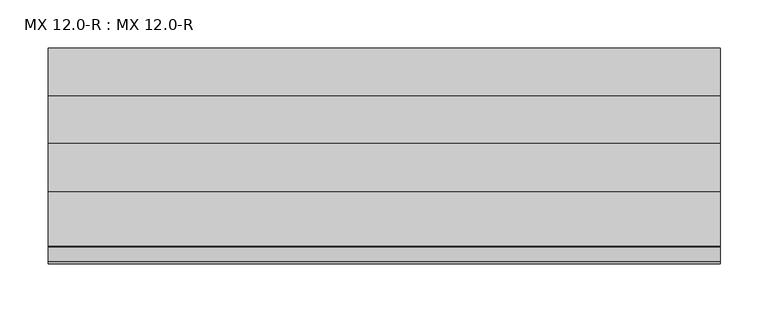
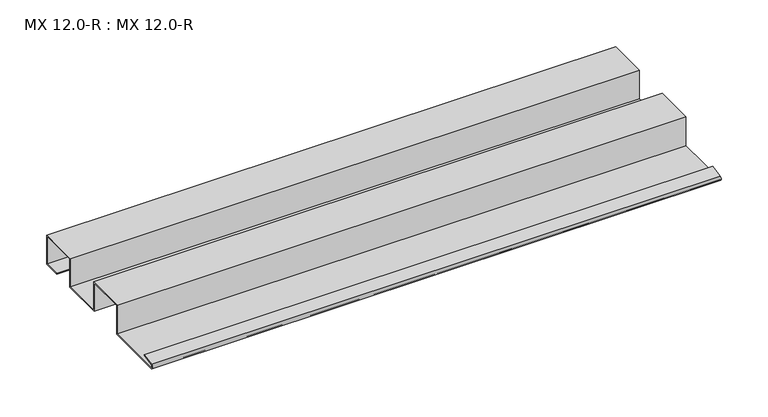
"""IFC4 building model written with IfcOpenShell, lengths in millimetres: proxy geometry, MX 12.0-R : MX 12.0-R."""

from ifc_helpers import new_model, si_unit, point, frame, frame_2d, origin, place, context, project, spatial, polyline, circle_curve, trimmed, segment, composite_curve, outline, extrude, source, transform, mapped, element, save


def mx_12_0_r_mx_12_0_r_b8e0d57a(model_context):
    return source(origin(), model_context, "Body", "SweptSolid", [
        extrude(outline(composite_curve([segment(polyline([(-223.163909, 5.2131944), (-207.4140687, 8.2359048), (-207.1307182, 7.2866995), (-222.807341, 4.278041)]), True, "CONTINUOUS"), segment(trimmed(circle_curve(frame_2d((-221.9419644, 2.4153551)), 2.0538928), [point((-222.807341, 4.278041))], [point((-222.6835104, 0.5))], True, "CARTESIAN"), True, "CONTINUOUS"), segment(polyline([(-222.6835104, 0.5), (-150.0, 0.5), (-150.0, 38.0), (-100.0, 38.0), (-100.0, 1.0), (-50.0, 1.0), (-50.0, 38.0), (0.0, 38.0), (0.0, 0.5), (-21.5, 0.5), (-21.5, 1.5), (-1.0, 1.5), (-1.0, 37.0), (-49.0, 37.0), (-49.0, 0.0), (-101.0, 0.0), (-101.0, 37.0), (-149.0, 37.0), (-149.0, -0.5), (-222.7963586, -0.5)]), True, "CONTINUOUS"), segment(trimmed(circle_curve(frame_2d((-221.9700946, 2.4215767)), 3.0361691), [point((-222.7963586, -0.5))], [point((-223.163909, 5.2131944))], False, "CARTESIAN"), True, "CONTINUOUS")], self_intersect=False)), frame((0.0, 0.0, 0.0), z_axis=(1.0, 0.0, 0.0), x_axis=(0.0, 1.0, 0.0)), (0.0, 0.0, 1.0), 700.0),
    ])


if __name__ == "__main__":
    model = new_model("IFC4")
    model_context = context("Model", 3, world=origin())
    ifc_project = project(units=[si_unit("LENGTHUNIT", "METRE", prefix="MILLI")], contexts=[model_context])
    site = spatial("IfcSite", under=ifc_project)
    building = spatial("IfcBuilding", under=site)
    placement = place(None, origin())
    mx_12_0_r_mx_12_0_r_shape = mx_12_0_r_mx_12_0_r_b8e0d57a(model_context)
    element("IfcBuildingElementProxy", 1, Name="MX 12.0-R : MX 12.0-R", ObjectType="MX 12.0-R : MX 12.0-R", at=placement, inside=building, context=model_context, shape_type="MappedRepresentation", body=[
        mapped(mx_12_0_r_mx_12_0_r_shape, transform((0.0, 0.0, 0.0), x_axis=(1.0, 0.0, 0.0), y_axis=(0.0, 1.0, 0.0), z_axis=(0.0, 0.0, 1.0))),
    ])
    save(model, "model.ifc")
